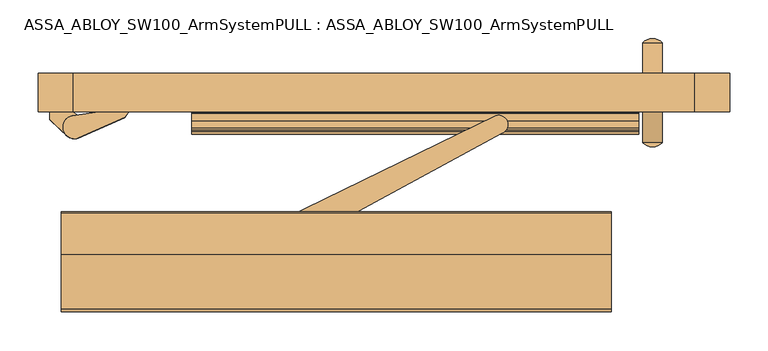
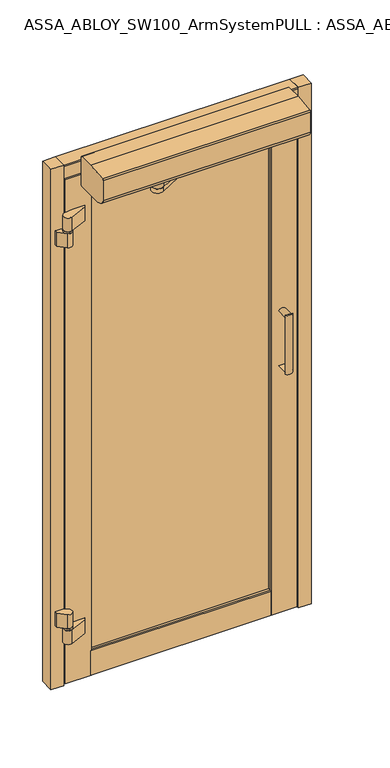
"""IFC4 building model written with IfcOpenShell, lengths in millimetres: door geometry, ASSA_ABLOY_SW100_ArmSystemPULL : ASSA_ABLOY_SW100_ArmSystemPULL."""

from ifc_helpers import new_model, si_unit, point, frame, frame_2d, origin, origin_with_axes, place, context, project, spatial, polyline, circle_curve, ellipse_curve, trimmed, segment, composite_curve, outline, extrude, faceted_brep, source, transform, mapped, element, save
from ifc_brep_helpers import plane_surface, cylinder_surface, extruded_surface, advanced_brep


def assa_abloy_sw100_armsystempull_assa_abloy_sw100_03270d1b(model_context):
    return source(origin(), model_context, "Body", "SolidModel", [
        extrude(outline(composite_curve([segment(polyline([(-434.9009481, 30.0046585), (-405.5009669, 30.0046585), (-392.943368, 21.145616)]), True, "CONTINUOUS"), segment(trimmed(circle_curve(frame_2d((-402.9872251, 10.0046574)), 15.0000009), [point((-392.943368, 21.145616))], [point((-411.4633714, -2.3709222))], False, "CARTESIAN"), True, "CONTINUOUS"), segment(polyline([(-411.4633714, -2.3709222), (-434.9009481, 20.183468), (-434.9009481, 30.0046585)]), True, "CONTINUOUS")], self_intersect=False)), frame((0.0, 0.0, 1620.5), z_axis=(0.0, 0.0, 1.0), x_axis=(1.0, 0.0, 0.0)), (0.0, 0.0, 1.0), 50.0186638),
        extrude(outline(composite_curve([segment(trimmed(circle_curve(frame_2d((349.5127749, 108.5072327)), 16.9866991), [point((337.0127749, 120.0093171))], [point((362.0127749, 120.0093171))], False, "CARTESIAN"), True, "CONTINUOUS"), segment(polyline([(362.0127749, 120.0093171), (337.0127749, 120.0093171)]), True, "CONTINUOUS")], self_intersect=False)), frame((0.0, 0.0, 900.4496119), z_axis=(0.0, 0.0, 1.0), x_axis=(1.0, 0.0, 0.0)), (0.0, 0.0, 1.0), 215.1007763),
        extrude(outline(composite_curve([segment(trimmed(circle_curve(frame_2d((1101.4280439, 349.5127749)), 14.1223442), [point((1108.0, 362.0127749))], [point((1108.0, 337.0127749))], False, "CARTESIAN"), True, "CONTINUOUS"), segment(polyline([(1108.0, 337.0127749), (1108.0, 362.0127749)]), True, "CONTINUOUS")], self_intersect=False)), frame((0.0, 80.0093171, 0.0), z_axis=(0.0, 1.0, 0.0), x_axis=(0.0, 0.0, 1.0)), (0.0, 0.0, 1.0), 40.0),
        extrude(outline(composite_curve([segment(polyline([(908.0, 362.0127749), (908.0, 337.0127749)]), True, "CONTINUOUS"), segment(trimmed(circle_curve(frame_2d((914.5719561, 349.5127749)), 14.1223442), [point((908.0, 337.0127749))], [point((908.0, 362.0127749))], False, "CARTESIAN"), True, "CONTINUOUS")], self_intersect=False)), frame((0.0, 80.0093171, 0.0), z_axis=(0.0, 1.0, 0.0), x_axis=(0.0, 0.0, 1.0)), (0.0, 0.0, 1.0), 40.0),
        extrude(outline(composite_curve([segment(polyline([(337.0127749, -10.0), (362.0127749, -10.0)]), True, "CONTINUOUS"), segment(trimmed(circle_curve(frame_2d((349.5127749, 1.5020844)), 16.9866991), [point((362.0127749, -10.0))], [point((337.0127749, -10.0))], False, "CARTESIAN"), True, "CONTINUOUS")], self_intersect=False)), frame((0.0, 0.0, 900.4496119), z_axis=(0.0, 0.0, 1.0), x_axis=(1.0, 0.0, 0.0)), (0.0, 0.0, 1.0), 215.1007763),
        extrude(outline(composite_curve([segment(trimmed(circle_curve(frame_2d((1101.4280439, 349.5127749)), 14.1223442), [point((1108.0, 362.0127749))], [point((1108.0, 337.0127749))], False, "CARTESIAN"), True, "CONTINUOUS"), segment(polyline([(1108.0, 337.0127749), (1108.0, 362.0127749)]), True, "CONTINUOUS")], self_intersect=False)), frame((0.0, -10.0, 0.0), z_axis=(0.0, 1.0, 0.0), x_axis=(0.0, 0.0, 1.0)), (0.0, 0.0, 1.0), 40.0),
        extrude(outline(composite_curve([segment(polyline([(908.0, 362.0127749), (908.0, 337.0127749)]), True, "CONTINUOUS"), segment(trimmed(circle_curve(frame_2d((914.5719561, 349.5127749)), 14.1223442), [point((908.0, 337.0127749))], [point((908.0, 362.0127749))], False, "CARTESIAN"), True, "CONTINUOUS")], self_intersect=False)), frame((0.0, -10.0, 0.0), z_axis=(0.0, 1.0, 0.0), x_axis=(0.0, 0.0, 1.0)), (0.0, 0.0, 1.0), 40.0),
        extrude(outline(composite_curve([segment(polyline([(-434.9009481, 30.0046585), (-405.5009669, 30.0046585), (-392.943368, 21.145616)]), True, "CONTINUOUS"), segment(trimmed(circle_curve(frame_2d((-402.9872251, 10.0046574)), 15.0000009), [point((-392.943368, 21.145616))], [point((-411.4633714, -2.3709222))], False, "CARTESIAN"), True, "CONTINUOUS"), segment(polyline([(-411.4633714, -2.3709222), (-434.9009481, 20.183468), (-434.9009481, 30.0046585)]), True, "CONTINUOUS")], self_intersect=False)), frame((0.0, 0.0, 229.4813362), z_axis=(0.0, 0.0, 1.0), x_axis=(1.0, 0.0, 0.0)), (0.0, 0.0, 1.0), 50.0186638),
        extrude(outline(composite_curve([segment(polyline([(-405.1438622, 24.8449007), (-370.644656, 30.0046585), (-332.6085657, 30.0046585), (-337.4199825, 22.7325436), (-397.8347204, -4.1165552)]), True, "CONTINUOUS"), segment(trimmed(circle_curve(frame_2d((-402.8984795, 10.0085291)), 15.0053212), [point((-397.8347204, -4.1165552))], [point((-405.1438622, 24.8449007))], False, "CARTESIAN"), True, "CONTINUOUS")], self_intersect=False)), frame((0.0, 0.0, 171.4813362), z_axis=(0.0, 0.0, 1.0), x_axis=(1.0, 0.0, 0.0)), (0.0, 0.0, 1.0), 50.0),
        extrude(outline(composite_curve([segment(trimmed(circle_curve(frame_2d((-402.9872251, 10.0046585)), 15.0000009), [point((-402.9872251, -4.9953423))], [point((-402.9872251, 25.0046594))], False, "CARTESIAN"), True, "CONTINUOUS"), segment(trimmed(circle_curve(frame_2d((-402.9872251, 10.0046585)), 15.0000009), [point((-402.9872251, 25.0046594))], [point((-402.9872251, -4.9953423))], False, "CARTESIAN"), True, "CONTINUOUS")], self_intersect=False)), frame((0.0, 0.0, 221.4813362), z_axis=(0.0, 0.0, 1.0), x_axis=(1.0, 0.0, 0.0)), (0.0, 0.0, 1.0), 8.0),
        extrude(outline(composite_curve([segment(polyline([(-332.6085657, 30.0046585), (-337.4199825, 22.7325436), (-397.8347204, -4.1165552)]), True, "CONTINUOUS"), segment(trimmed(circle_curve(frame_2d((-402.8984795, 10.0085291)), 15.0053212), [point((-397.8347204, -4.1165552))], [point((-405.1438622, 24.8449007))], False, "CARTESIAN"), True, "CONTINUOUS"), segment(polyline([(-405.1438622, 24.8449007), (-370.644656, 30.0046585), (-332.6085657, 30.0046585)]), True, "CONTINUOUS")], self_intersect=False)), frame((0.0, 0.0, 1678.5186638), z_axis=(0.0, 0.0, 1.0), x_axis=(1.0, 0.0, 0.0)), (0.0, 0.0, 1.0), 50.0),
        extrude(outline(composite_curve([segment(trimmed(circle_curve(frame_2d((-402.9872251, 10.0046574)), 15.0000009), [point((-402.9872251, 25.0046582))], [point((-402.9872251, -4.9953435))], False, "CARTESIAN"), True, "CONTINUOUS"), segment(trimmed(circle_curve(frame_2d((-402.9872251, 10.0046574)), 15.0000009), [point((-402.9872251, -4.9953435))], [point((-402.9872251, 25.0046582))], False, "CARTESIAN"), True, "CONTINUOUS")], self_intersect=False)), frame((0.0, 0.0, 1670.5186638), z_axis=(0.0, 0.0, 1.0), x_axis=(1.0, 0.0, 0.0)), (0.0, 0.0, 1.0), 8.0),
        extrude(outline(polyline([(30.0184748, 5.0), (30.0184748, 93.97937), (36.4415317, 93.97937), (38.6250553, 98.2774115), (38.6250553, 81.7322622), (45.33993, 81.7322622), (45.33993, 98.2768371), (47.5233386, 93.9905444), (80.0131535, 93.9905444), (80.0131535, 5.0), (30.0184748, 5.0)])), frame((-311.6952167, 0.0, 0.0), z_axis=(1.0, 0.0, 0.0), x_axis=(0.0, 1.0, 0.0)), (0.0, 0.0, 1.0), 622.5775051),
        extrude(outline(polyline([(450.0, 80.0), (450.0, 30.0), (404.7193599, 30.0), (404.7193599, 80.0), (450.0, 80.0)])), origin_with_axes(), (0.0, 0.0, 1.0), 1900.0),
        extrude(outline(polyline([(-405.4980251, 30.0046585), (-450.0, 30.0046585), (-450.0, 80.0046585), (-405.4980251, 80.0046585), (-405.4980251, 30.0046585)])), origin_with_axes(), (0.0, 0.0, 1.0), 1900.0),
        advanced_brep(
        [(-420.0, -102.1111835, 2018.2299553), (-420.0, -102.1111835, 2016.2290187), (-420.0, -100.0052181, 2014.3949545), (-420.0, -100.0052181, 1912.3949545), (-420.0, -102.0052181, 1910.3949545), (-420.0, -102.0052181, 1908.1949545), (-420.0, -191.7285742, 1908.1949545), (-420.0, -230.6595769, 1932.9665486), (-420.0, -230.6595769, 2006.217444), (-420.0, -227.0113011, 2011.0312618), (-420.0, -156.1111835, 2018.2299553), (296.1, -102.1111835, 2018.2299553), (296.1, -156.1111835, 2018.2299553), (296.1, -227.0113011, 2011.0312618), (296.1, -230.6595769, 2006.217444), (296.1, -230.6595769, 1932.9665486), (296.1, -191.7285742, 1908.1949545), (296.1, -102.0052181, 1908.1949545), (296.1, -102.0052181, 1910.3949545), (296.1, -100.0052181, 1912.3949545), (296.1, -100.0052181, 2014.3949545), (296.1, -102.1111835, 2016.2290187)],
        [
            (0, 1),
            (1, 2, circle_curve(frame((-420.0, -102.1813768, 2014.022299), z_axis=(-1.0, 0.0, 0.0), x_axis=(0.0, 0.0, 1.0)), 2.2078358)),
            (2, 3),
            (3, 4, circle_curve(frame((-420.0, -102.0052181, 1912.3949545), z_axis=(-1.0, 0.0, 0.0), x_axis=(0.0, 0.0, 1.0)), 2.0)),
            (4, 5),
            (5, 6),
            (6, 7, ellipse_curve(frame((-420.0, -185.6595769, 1932.9665486), z_axis=(-1.0, 0.0, 0.0), x_axis=(0.0, 1.0, 0.0)), 45.0, 25.0)),
            (7, 8),
            (8, 9, circle_curve(frame((-420.0, -225.6595769, 2006.217444), z_axis=(-1.0, 0.0, 0.0), x_axis=(0.0, 0.0, 1.0)), 5.0)),
            (9, 10, circle_curve(frame((-420.0, -154.8365291, 1652.9279637), z_axis=(-1.0, 0.0, 0.0), x_axis=(0.0, 0.0, 1.0)), 365.3042154)),
            (10, 0),
            (11, 12),
            (12, 13, circle_curve(frame((296.1, -154.8365291, 1652.9279637), z_axis=(1.0, 0.0, 0.0), x_axis=(0.0, 0.0, 1.0)), 365.3042154)),
            (13, 14, circle_curve(frame((296.1, -225.6595769, 2006.217444), z_axis=(1.0, 0.0, 0.0), x_axis=(0.0, 0.0, 1.0)), 5.0)),
            (14, 15),
            (15, 16, ellipse_curve(frame((296.1, -185.6595769, 1932.9665486), z_axis=(1.0, 0.0, 0.0), x_axis=(0.0, 1.0, 0.0)), 45.0, 25.0)),
            (16, 17),
            (17, 18),
            (18, 19, circle_curve(frame((296.1, -102.0052181, 1912.3949545), z_axis=(1.0, 0.0, 0.0), x_axis=(0.0, 0.0, 1.0)), 2.0)),
            (19, 20),
            (20, 21, circle_curve(frame((296.1, -102.1813768, 2014.022299), z_axis=(1.0, 0.0, 0.0), x_axis=(0.0, 0.0, 1.0)), 2.2078358)),
            (21, 11),
            (2, 20),
            (19, 3),
            (18, 4),
            (17, 5),
            (16, 6),
            (0, 11),
            (21, 1),
            (15, 7),
            (14, 8),
            (13, 9),
            (12, 10),
        ],
        [
            plane_surface(frame((-420.0, -100.0, 1970.0450899), z_axis=(-1.0, 0.0, 0.0), x_axis=(0.0, -1.0, 0.0))),
            plane_surface(frame((296.1, -100.0, 1970.0450899), z_axis=(1.0, 0.0, 0.0), x_axis=(0.0, -1.0, 0.0))),
            plane_surface(frame((-420.0, -100.0052181, 2014.3949545), z_axis=(0.0, 1.0, 0.0), x_axis=(1.0, 0.0, 0.0))),
            cylinder_surface(frame((-420.0, -102.0052181, 1912.3949545), z_axis=(-1.0, 0.0, 0.0), x_axis=(0.0, 0.0, 1.0)), 2.0),
            plane_surface(frame((-420.0, -102.0052181, 1910.3949545), z_axis=(0.0, 1.0, 0.0), x_axis=(1.0, 0.0, 0.0))),
            plane_surface(frame((-420.0, -102.0052181, 1908.1949545), z_axis=(0.0, 0.0, -1.0), x_axis=(1.0, 0.0, 0.0))),
            plane_surface(frame((-420.0, -102.1111835, 2018.2299553), z_axis=(0.0, 1.0, 0.0), x_axis=(1.0, 0.0, 0.0))),
            cylinder_surface(frame((-420.0, -102.1813768, 2014.022299), z_axis=(-1.0, 0.0, 0.0), x_axis=(0.0, 0.0, 1.0)), 2.2078358),
            extruded_surface(trimmed(ellipse_curve(frame((296.1, -185.6595769, 1932.9665486), z_axis=(-1.0, 0.0, 0.0), x_axis=(0.0, 1.0, 0.0)), 45.0, 25.0), [point((296.1, -191.7285742, 1908.1949545))], [point((296.1, -230.6595769, 1932.9665486))], True, "CARTESIAN"), (-716.1, 0.0, 0.0), 716.1),
            plane_surface(frame((-420.0, -230.6595769, 1932.9665486), z_axis=(0.0, -1.0, 0.0), x_axis=(1.0, 0.0, 0.0))),
            cylinder_surface(frame((-420.0, -225.6595769, 2006.217444), z_axis=(-1.0, 0.0, 0.0), x_axis=(0.0, 0.0, 1.0)), 5.0),
            cylinder_surface(frame((-420.0, -154.8365291, 1652.9279637), z_axis=(-1.0, 0.0, 0.0), x_axis=(0.0, 0.0, 1.0)), 365.3042154),
            plane_surface(frame((-420.0, -156.1111835, 2018.2299553), z_axis=(0.0, 0.0, 1.0), x_axis=(1.0, 0.0, 0.0))),
        ],
        [
            (0, [[1, 2, 3, 4, 5, 6, 7, 8, 9, 10, 11]]),
            (1, [[12, 13, 14, 15, 16, 17, 18, 19, 20, 21, 22]]),
            (2, [[-3, 23, -20, 24]]),
            (3, [[-4, -24, -19, 25]]),
            (4, [[-5, -25, -18, 26]]),
            (5, [[-6, -26, -17, 27]]),
            (6, [[-1, 28, -22, 29]]),
            (7, [[-2, -29, -21, -23]]),
            (8, [[-7, -27, -16, 30]]),
            (9, [[-8, -30, -15, 31]]),
            (10, [[-9, -31, -14, 32]]),
            (11, [[-10, -32, -13, 33]]),
            (12, [[-11, -33, -12, -28]]),
        ],
    ),
        extrude(outline(composite_curve([segment(trimmed(circle_curve(frame_2d((149.1038937, 13.2706366)), 5.0), [point((144.6592076, 10.9804912))], [point((153.5485797, 15.5607819))], False, "CARTESIAN"), True, "CONTINUOUS"), segment(trimmed(circle_curve(frame_2d((149.1038937, 13.2706366)), 5.0), [point((153.5485797, 15.5607819))], [point((144.6592076, 10.9804912))], False, "CARTESIAN"), True, "CONTINUOUS")], self_intersect=False)), frame((0.0, 0.0, 1844.2828536), z_axis=(0.0, 0.0, 1.0), x_axis=(1.0, 0.0, 0.0)), (0.0, 0.0, 1.0), 6.7),
        extrude(outline(composite_curve([segment(trimmed(circle_curve(frame_2d((149.1038937, 13.2706366)), 8.0), [point((141.992396, 9.606404))], [point((156.2153914, 16.9348692))], False, "CARTESIAN"), True, "CONTINUOUS"), segment(trimmed(circle_curve(frame_2d((149.1038937, 13.2706366)), 8.0), [point((156.2153914, 16.9348692))], [point((141.992396, 9.606404))], False, "CARTESIAN"), True, "CONTINUOUS")], self_intersect=False)), frame((0.0, 0.0, 1850.9828536), z_axis=(0.0, 0.0, 1.0), x_axis=(1.0, 0.0, 0.0)), (0.0, 0.0, 1.0), 3.8634244),
        extrude(outline(composite_curve([segment(trimmed(circle_curve(frame_2d((-193.0, -163.0)), 19.0), [point((-174.0, -163.0))], [point((-212.0, -163.0))], False, "CARTESIAN"), True, "CONTINUOUS"), segment(trimmed(circle_curve(frame_2d((-193.0, -163.0)), 19.0), [point((-212.0, -163.0))], [point((-174.0, -163.0))], False, "CARTESIAN"), True, "CONTINUOUS")], self_intersect=False)), frame((0.0, 0.0, 1869.8647729), z_axis=(0.0, 0.0, 1.0), x_axis=(1.0, 0.0, 0.0)), (0.0, 0.0, 1.0), 24.8795239),
        extrude(outline(composite_curve([segment(trimmed(circle_curve(frame_2d((-193.0, -163.0)), 11.2), [point((-181.8, -163.0))], [point((-204.2, -163.0))], False, "CARTESIAN"), True, "CONTINUOUS"), segment(trimmed(circle_curve(frame_2d((-193.0, -163.0)), 11.2), [point((-204.2, -163.0))], [point((-181.8, -163.0))], False, "CARTESIAN"), True, "CONTINUOUS")], self_intersect=False)), frame((0.0, 0.0, 1894.7442968), z_axis=(0.0, 0.0, 1.0), x_axis=(1.0, 0.0, 0.0)), (0.0, 0.0, 1.0), 13.4506576),
        extrude(outline(composite_curve([segment(trimmed(circle_curve(frame_2d((-193.0, -163.0)), 20.7181883), [point((-183.0954497, -181.1973407))], [point((-202.0696387, -144.3724671))], False, "CARTESIAN"), True, "CONTINUOUS"), segment(polyline([(-202.0696387, -144.3724671), (145.5829515, 24.89758)]), True, "CONTINUOUS"), segment(trimmed(circle_curve(frame_2d((149.1038937, 13.2706366)), 12.1483681), [point((145.5829515, 24.89758))], [point((153.1481706, 1.8152156))], False, "CARTESIAN"), True, "CONTINUOUS"), segment(polyline([(153.1481706, 1.8152156), (-183.0954497, -181.1973407)]), True, "CONTINUOUS")], self_intersect=False)), frame((0.0, 0.0, 1854.846278), z_axis=(0.0, 0.0, 1.0), x_axis=(1.0, 0.0, 0.0)), (0.0, 0.0, 1.0), 15.018495),
        extrude(outline(composite_curve([segment(trimmed(circle_curve(frame_2d((27.6387451, 1844.2836687)), 0.8652476), [point((28.1473248, 1844.9836687))], [point((28.5039926, 1844.2836687))], False, "CARTESIAN"), True, "CONTINUOUS"), segment(trimmed(circle_curve(frame_2d((29.3039926, 1844.2836687)), 0.8), [point((28.5039926, 1844.2836687))], [point((29.3075895, 1843.4836768))], True, "CARTESIAN"), True, "CONTINUOUS"), segment(trimmed(circle_curve(frame_2d((29.3111219, 1842.6979922)), 0.7856925), [point((29.3075895, 1843.4836768))], [point((30.0188391, 1843.0392387))], False, "CARTESIAN"), True, "CONTINUOUS"), segment(polyline([(30.0188391, 1843.0392387), (30.0188391, 1801.7801852)]), True, "CONTINUOUS"), segment(trimmed(circle_curve(frame_2d((29.5183664, 1801.9661266)), 0.5338981), [point((30.0188391, 1801.7801852))], [point((29.2899742, 1801.4835459))], False, "CARTESIAN"), True, "CONTINUOUS"), segment(trimmed(circle_curve(frame_2d((29.2899742, 1800.6971103)), 0.7864355), [point((29.2899742, 1801.4835459))], [point((28.5035387, 1800.6971103))], True, "CARTESIAN"), True, "CONTINUOUS"), segment(trimmed(circle_curve(frame_2d((27.7790911, 1800.6971103)), 0.7244476), [point((28.5035387, 1800.6971103))], [point((27.6532921, 1799.9836687))], False, "CARTESIAN"), True, "CONTINUOUS"), segment(polyline([(27.6532921, 1799.9836687), (5.9664979, 1799.9836687)]), True, "CONTINUOUS"), segment(trimmed(circle_curve(frame_2d((5.9664979, 1801.9836687)), 2.0), [point((5.9664979, 1799.9836687))], [point((4.0743499, 1801.3357675))], False, "CARTESIAN"), True, "CONTINUOUS"), segment(trimmed(circle_curve(frame_2d((65.8352426, 1822.4836687)), 65.28125), [point((4.0743499, 1801.3357675))], [point((4.0743499, 1843.6315699))], False, "CARTESIAN"), True, "CONTINUOUS"), segment(trimmed(circle_curve(frame_2d((5.9664979, 1842.9836687)), 2.0), [point((4.0743499, 1843.6315699))], [point((5.9664979, 1844.9836687))], False, "CARTESIAN"), True, "CONTINUOUS"), segment(polyline([(5.9664979, 1844.9836687), (8.2761692, 1844.9836687), (8.2761692, 1844.1836687), (18.3387617, 1844.1836687), (18.3387617, 1844.9836687), (28.1473248, 1844.9836687)]), True, "CONTINUOUS")], self_intersect=False)), frame((-250.0790435, 0.0, 0.0), z_axis=(1.0, 0.0, 0.0), x_axis=(0.0, 1.0, 0.0)), (0.0, 0.0, 1.0), 582.0),
        extrude(outline(polyline([(-318.2892457, 38.9832489), (-318.2892457, 45.0089253), (318.2107543, 45.0089253), (318.2107543, 38.9832489), (-318.2892457, 38.9832489)])), frame((0.0, 0.0, 81.7322622), z_axis=(0.0, 0.0, 1.0), x_axis=(1.0, 0.0, 0.0)), (0.0, 0.0, 1.0), 1686.6659287),
        faceted_brep([(-387.5996735, 71.4993372, 5.0), (-378.0996735, 71.4993372, 5.0), (-378.0996735, 79.9993372, 5.0), (-311.088499, 79.9993372, 5.0), (-311.088499, 47.5095223, 5.0), (-306.8022064, 45.3261137, 5.0), (-323.5068834, 45.3261137, 5.0), (-323.5068834, 38.611239, 5.0), (-306.801632, 38.611239, 5.0), (-311.0996735, 36.4277154, 5.0), (-311.0996735, 30.0046585, 5.0), (-400.0790435, 30.0046585, 5.0), (-400.0790435, 35.980219, 5.0), (-398.1816219, 35.980219, 5.0), (-397.3810204, 34.5813793, 5.0), (-398.5810203, 34.5813793, 5.0), (-398.5810203, 31.9808639, 5.0), (-389.1799039, 31.9808639, 5.0), (-389.1799039, 34.5433372, 5.0), (-390.1883522, 34.5433372, 5.0), (-389.5816227, 35.9847309, 5.0), (-387.6816229, 35.9847309, 5.0), (-387.6816229, 31.9888121, 5.0), (-380.0996735, 31.9888121, 5.0), (-380.0996735, 69.9993372, 5.0), (-387.5996735, 69.9993372, 5.0), (387.3822884, 71.4993372, 5.0), (387.3822884, 69.9993372, 5.0), (379.8822884, 69.9993372, 5.0), (379.8822884, 31.9888121, 5.0), (387.4642378, 31.9888121, 5.0), (387.4642378, 35.9847309, 5.0), (389.3642377, 35.9847309, 5.0), (389.9709672, 34.5433372, 5.0), (388.9625189, 34.5433372, 5.0), (388.9625189, 31.9808639, 5.0), (398.3636352, 31.9808639, 5.0), (398.3636352, 34.5813793, 5.0), (397.1636354, 34.5813793, 5.0), (397.9642369, 35.980219, 5.0), (399.8616584, 35.980219, 5.0), (399.8616584, 30.0046585, 5.0), (310.8822884, 30.0046585, 5.0), (310.8822884, 36.4277154, 5.0), (306.5842469, 38.611239, 5.0), (323.2894984, 38.611239, 5.0), (323.2894984, 45.3261137, 5.0), (306.5848213, 45.3261137, 5.0), (310.871114, 47.5095223, 5.0), (310.871114, 79.9993372, 5.0), (377.8822884, 79.9993372, 5.0), (377.8822884, 71.4993372, 5.0), (-387.5996735, 71.4993372, 1832.490981), (387.3822884, 71.4993372, 1832.490981), (377.8822884, 71.4993372, 1822.990981), (-378.0996735, 71.4993372, 1822.990981), (-378.0996735, 79.9993372, 1822.990981), (377.8822884, 79.9993372, 1822.990981), (310.871114, 79.9993372, 1755.9798065), (-311.088499, 79.9993372, 1755.9798065), (-311.0996735, 36.4277154, 1755.990981), (-311.0996735, 30.0046585, 1755.990981), (310.8822884, 30.0046585, 1755.990981), (399.8616584, 30.0046585, 1844.970351), (-400.0790435, 30.0046585, 1844.970351), (-400.0790435, 35.980219, 1844.970351), (399.8616584, 35.980219, 1844.970351), (397.9642369, 35.980219, 1843.0729294), (-398.1816219, 35.980219, 1843.0729294), (-397.3810204, 34.5813793, 1842.2723279), (397.1636354, 34.5813793, 1842.2723279), (398.3636352, 34.5813793, 1843.4723278), (-398.5810203, 34.5813793, 1843.4723278), (-398.5810203, 31.9808639, 1843.4723278), (398.3636352, 31.9808639, 1843.4723278), (388.9625189, 31.9808639, 1834.0712114), (-389.1799039, 31.9808639, 1834.0712114), (-389.1799039, 34.5433372, 1834.0712114), (388.9625189, 34.5433372, 1834.0712114), (389.9709672, 34.5433372, 1835.0796597), (-390.1883522, 34.5433372, 1835.0796597), (-389.5816227, 35.9847309, 1834.4729302), (389.3642377, 35.9847309, 1834.4729302), (387.4642378, 35.9847309, 1832.5729304), (-387.6816229, 35.9847309, 1832.5729304), (-387.6816229, 31.9888121, 1832.5729304), (387.4642378, 31.9888121, 1832.5729304), (379.8822884, 31.9888121, 1824.990981), (-380.0996735, 31.9888121, 1824.990981), (-380.0996735, 69.9993372, 1824.990981), (379.8822884, 69.9993372, 1824.990981), (387.3822884, 69.9993372, 1832.490981), (-387.5996735, 69.9993372, 1832.490981), (-323.5068834, 38.611239, 1768.3981909), (323.2894984, 38.611239, 1768.3981909), (306.5842469, 38.611239, 1751.6929395), (-306.801632, 38.611239, 1751.6929395), (-311.088499, 47.5095223, 1755.9798065), (-306.8022064, 45.3261137, 1751.6935139), (306.5848213, 45.3261137, 1751.6935139), (323.2894984, 45.3261137, 1768.3981909), (-323.5068834, 45.3261137, 1768.3981909), (310.8822884, 36.4277154, 1755.990981), (310.871114, 47.5095223, 1755.9798065)], [[[0, 1, 2, 3, 4, 5, 6, 7, 8, 9, 10, 11, 12, 13, 14, 15, 16, 17, 18, 19, 20, 21, 22, 23, 24, 25]], [[26, 27, 28, 29, 30, 31, 32, 33, 34, 35, 36, 37, 38, 39, 40, 41, 42, 43, 44, 45, 46, 47, 48, 49, 50, 51]], [[1, 0, 52, 53, 26, 51, 54, 55]], [[2, 1, 55, 56]], [[3, 2, 56, 57, 50, 49, 58, 59]], [[10, 9, 60, 61]], [[11, 10, 61, 62, 42, 41, 63, 64]], [[12, 11, 64, 65]], [[13, 12, 65, 66, 40, 39, 67, 68]], [[14, 13, 68, 69]], [[15, 14, 69, 70, 38, 37, 71, 72]], [[16, 15, 72, 73]], [[17, 16, 73, 74, 36, 35, 75, 76]], [[18, 17, 76, 77]], [[19, 18, 77, 78, 34, 33, 79, 80]], [[20, 19, 80, 81]], [[21, 20, 81, 82, 32, 31, 83, 84]], [[22, 21, 84, 85]], [[23, 22, 85, 86, 30, 29, 87, 88]], [[24, 23, 88, 89]], [[25, 24, 89, 90, 28, 27, 91, 92]], [[0, 25, 92, 52]], [[8, 7, 93, 94, 45, 44, 95, 96]], [[9, 8, 96, 60]], [[5, 4, 97, 98]], [[6, 5, 98, 99, 47, 46, 100, 101]], [[4, 3, 59, 97]], [[56, 55, 54, 57]], [[61, 60, 102, 62]], [[65, 64, 63, 66]], [[69, 68, 67, 70]], [[73, 72, 71, 74]], [[77, 76, 75, 78]], [[81, 80, 79, 82]], [[85, 84, 83, 86]], [[89, 88, 87, 90]], [[52, 92, 91, 53]], [[60, 96, 95, 102]], [[98, 97, 103, 99]], [[97, 59, 58, 103]], [[57, 54, 51, 50]], [[62, 102, 43, 42]], [[66, 63, 41, 40]], [[70, 67, 39, 38]], [[74, 71, 37, 36]], [[78, 75, 35, 34]], [[82, 79, 33, 32]], [[86, 83, 31, 30]], [[90, 87, 29, 28]], [[53, 91, 27, 26]], [[102, 95, 44, 43]], [[99, 103, 48, 47]], [[103, 58, 49, 48]], [[7, 6, 101, 93]], [[93, 101, 100, 94]], [[94, 100, 46, 45]]]),
        extrude(outline(composite_curve([segment(trimmed(circle_curve(frame_2d((83.3734046, 1897.4892457)), 4.1950506), [point((80.0046585, 1899.9892457))], [point((80.0046585, 1894.9892457))], True, "CARTESIAN"), True, "CONTINUOUS"), segment(polyline([(80.0046585, 1894.9892457), (80.0046585, 1827.9892457), (74.0046585, 1827.9892457), (74.0046585, 1829.8892457), (75.4046585, 1830.6892457), (75.4046585, 1829.4892457), (78.0046585, 1829.4892457), (78.0046585, 1838.8892457), (75.4046585, 1838.8892457), (75.4046585, 1837.8992319), (74.0046585, 1838.4892457), (74.0046585, 1840.3892457), (77.9938052, 1840.3892457), (77.9938052, 1847.9583981), (39.9692652, 1847.9583981), (39.9692652, 1840.5255088), (38.4899894, 1840.5255088), (38.4899894, 1849.9902126), (30.0046585, 1849.9902126), (30.0046585, 1894.9892457)]), True, "CONTINUOUS"), segment(trimmed(circle_curve(frame_2d((26.6359125, 1897.4892457)), 4.1950506), [point((30.0046585, 1894.9892457))], [point((30.0046585, 1899.9892457))], True, "CARTESIAN"), True, "CONTINUOUS"), segment(polyline([(30.0046585, 1899.9892457), (80.0046585, 1899.9892457)]), True, "CONTINUOUS")], self_intersect=False)), frame((-405.4980251, 0.0, 0.0), z_axis=(1.0, 0.0, 0.0), x_axis=(0.0, 1.0, 0.0)), (0.0, 0.0, 1.0), 810.217385),
    ])


if __name__ == "__main__":
    model = new_model("IFC4")
    model_context = context("Model", 3, world=origin())
    ifc_project = project(units=[si_unit("LENGTHUNIT", "METRE", prefix="MILLI")], contexts=[model_context])
    site = spatial("IfcSite", under=ifc_project)
    building = spatial("IfcBuilding", under=site)
    placement = place(None, origin())
    assa_abloy_sw100_armsystempull_assa_abloy_sw100_shape = assa_abloy_sw100_armsystempull_assa_abloy_sw100_03270d1b(model_context)
    element("IfcDoor", 1, ObjectType="ASSA_ABLOY_SW100_ArmSystemPULL : ASSA_ABLOY_SW100_ArmSystemPULL", at=placement, inside=building, context=model_context, shape_type="MappedRepresentation", body=[
        mapped(assa_abloy_sw100_armsystempull_assa_abloy_sw100_shape, transform((0.0, 0.0, 0.0), x_axis=(1.0, 0.0, 0.0), y_axis=(0.0, 1.0, 0.0), z_axis=(0.0, 0.0, 1.0))),
    ])
    save(model, "model.ifc")
